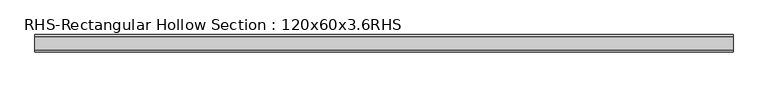
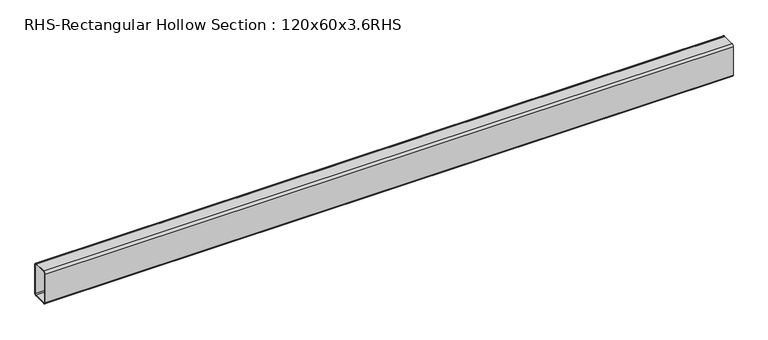
"""IFC4 building model written with IfcOpenShell, lengths in millimetres: beam geometry, RHS-Rectangular Hollow Section : 120x60x3.6RHS."""

import ifcopenshell
import ifcopenshell.guid

model = None  # the IFC model being written
_history = None  # IfcOwnerHistory: only IFC2X3 demands one
_inside = {}  # id of a spatial element -> (the spatial element, [elements in it])
_under = {}  # id of a project, library or spatial element -> (it, [spatial elements below it])
_declared = {}  # id of a project -> (the project, [libraries it declares])
_typed = {}  # id of a type object -> (the type object, [elements of that type])
_made_of = {}  # id of a material, layer set ... -> (it, [elements and type objects made of it])


def new_model(schema):
    """Start an empty IFC model of exactly this schema.

    Asked for "IFC4X3", IfcOpenShell would pick the latest addendum, in which some entities
    have other attributes; the version numbers below select the first issue.
    IFC2X3 requires an IfcOwnerHistory on every rooted entity: one is made here for all.
    """
    global model, _history
    if schema == "IFC4X3":
        model = ifcopenshell.file(schema_version=(4, 3, 0, 0))
    else:
        model = ifcopenshell.file(schema=schema)
    _inside.clear()
    _under.clear()
    _declared.clear()
    _typed.clear()
    _made_of.clear()
    _history = None
    if model.schema == "IFC2X3":
        org = make("IfcOrganization", Name="unknown")
        user = make(
            "IfcPersonAndOrganization",
            ThePerson=make("IfcPerson", FamilyName="unknown"),
            TheOrganization=org,
        )
        app = make(
            "IfcApplication",
            ApplicationDeveloper=org,
            Version="unknown",
            ApplicationFullName="unknown",
            ApplicationIdentifier="unknown",
        )
        _history = make(
            "IfcOwnerHistory",
            OwningUser=user,
            OwningApplication=app,
            ChangeAction="ADDED",
            CreationDate=0,
        )
    return model


def make(cls, **values):
    """One entity of the class cls with the attributes given. An attribute that is None is left unset."""
    return model.create_entity(
        cls, **{name: value for name, value in values.items() if value is not None}
    )


def rooted(cls, **values):
    """An entity with a GlobalId (a new one), such as an element, a storey or a relation."""
    return make(cls, GlobalId=ifcopenshell.guid.new(), OwnerHistory=_history, **values)


def si_unit(unit_type, name, prefix=None):
    """IfcSIUnit, for example si_unit("LENGTHUNIT", "METRE", prefix="MILLI")."""
    return make("IfcSIUnit", UnitType=unit_type, Prefix=prefix, Name=name)


def assignment(units):
    """IfcUnitAssignment: the units of a project."""
    return None if units is None else make("IfcUnitAssignment", Units=units)


def point(xyz):
    """IfcCartesianPoint."""
    return None if xyz is None else make("IfcCartesianPoint", Coordinates=xyz)


def direction(xyz):
    """IfcDirection."""
    return None if xyz is None else make("IfcDirection", DirectionRatios=xyz)


def frame(location, z_axis=None, x_axis=None):
    """IfcAxis2Placement3D, a coordinate frame: its origin and axes. An axis left out is left unset."""
    return make(
        "IfcAxis2Placement3D",
        Location=point(location),
        Axis=direction(z_axis),
        RefDirection=direction(x_axis),
    )


def frame_2d(location, x_axis=None):
    """IfcAxis2Placement2D, a coordinate frame in the plane: its origin and x axis."""
    return make(
        "IfcAxis2Placement2D", Location=point(location), RefDirection=direction(x_axis)
    )


def origin():
    """The frame at (0, 0, 0) with its axes left unset."""
    return frame((0.0, 0.0, 0.0))


def place(relative_to, where):
    """IfcLocalPlacement: puts the frame where relative to a parent placement (None: the world)."""
    return make(
        "IfcLocalPlacement", PlacementRelTo=relative_to, RelativePlacement=where
    )


def context(
    kind, dimensions, precision=None, world=None, true_north=None, identifier=None
):
    """IfcGeometricRepresentationContext, for example the 3D "Model" context."""
    return make(
        "IfcGeometricRepresentationContext",
        ContextIdentifier=identifier,
        ContextType=kind,
        CoordinateSpaceDimension=dimensions,
        Precision=precision,
        WorldCoordinateSystem=world,
        TrueNorth=true_north,
    )


def project(units=None, contexts=None):
    """IfcProject with its units and contexts."""
    return rooted(
        "IfcProject",
        Name="project",
        RepresentationContexts=contexts,
        UnitsInContext=assignment(units),
    )


def spatial(cls, under=None, at=None, **own):
    """A site, building, storey or space (cls), placed at a placement, below another one or the project."""
    s = rooted(cls, ObjectPlacement=at, **own)
    if under is not None:
        _under.setdefault(under.id(), (under, []))[1].append(s)
    return s


def polyline(points):
    """IfcPolyline through the points."""
    return make("IfcPolyline", Points=[point(p) for p in points])


def circle_curve(where, radius):
    """IfcCircle in the frame where."""
    return make("IfcCircle", Position=where, Radius=radius)


def trimmed(basis, trim1, trim2, sense, master):
    """IfcTrimmedCurve: the piece of a basis curve between two trims."""
    return make(
        "IfcTrimmedCurve",
        BasisCurve=basis,
        Trim1=trim1,
        Trim2=trim2,
        SenseAgreement=sense,
        MasterRepresentation=master,
    )


def segment(curve, same_sense, transition):
    """IfcCompositeCurveSegment."""
    return make(
        "IfcCompositeCurveSegment",
        Transition=transition,
        SameSense=same_sense,
        ParentCurve=curve,
    )


def composite_curve(segments, self_intersect=None):
    """IfcCompositeCurve: segments joined end to end."""
    return make("IfcCompositeCurve", Segments=segments, SelfIntersect=self_intersect)


def outline(outer, holes=None, kind="AREA"):
    """IfcArbitraryClosedProfileDef: a profile drawn as a closed curve; with holes, ...WithVoids."""
    if holes is None:
        return make("IfcArbitraryClosedProfileDef", ProfileType=kind, OuterCurve=outer)
    return make(
        "IfcArbitraryProfileDefWithVoids",
        ProfileType=kind,
        OuterCurve=outer,
        InnerCurves=holes,
    )


def extrude(swept, where, along, depth):
    """IfcExtrudedAreaSolid: the profile swept, set in the frame where, extruded along a direction by depth."""
    return make(
        "IfcExtrudedAreaSolid",
        SweptArea=swept,
        Position=where,
        ExtrudedDirection=direction(along),
        Depth=depth,
    )


def shape(context_of_items, identifier, shape_type, items):
    """IfcShapeRepresentation: the items that make up one representation, for example the "Body"."""
    return make(
        "IfcShapeRepresentation",
        ContextOfItems=context_of_items,
        RepresentationIdentifier=identifier,
        RepresentationType=shape_type,
        Items=items,
    )


def source(mapping_origin, context_of_items, identifier, shape_type, items):
    """IfcRepresentationMap: a shape defined once, which mapped items show again and again."""
    return make(
        "IfcRepresentationMap",
        MappingOrigin=mapping_origin,
        MappedRepresentation=shape(context_of_items, identifier, shape_type, items),
    )


def transform(
    local_origin,
    x_axis=None,
    y_axis=None,
    z_axis=None,
    scale=None,
    scale2=None,
    scale3=None,
    uniform=True,
):
    """IfcCartesianTransformationOperator3D, or its non-uniform kind. x_axis, y_axis, z_axis: its Axis1, 2, 3."""
    if uniform:
        return make(
            "IfcCartesianTransformationOperator3D",
            Axis1=direction(x_axis),
            Axis2=direction(y_axis),
            LocalOrigin=point(local_origin),
            Scale=scale,
            Axis3=direction(z_axis),
        )
    return make(
        "IfcCartesianTransformationOperator3DnonUniform",
        Axis1=direction(x_axis),
        Axis2=direction(y_axis),
        LocalOrigin=point(local_origin),
        Scale=scale,
        Axis3=direction(z_axis),
        Scale2=scale2,
        Scale3=scale3,
    )


def mapped(mapping_source, mapping_target):
    """IfcMappedItem: shows the shape of a source again, moved by a transform."""
    return make(
        "IfcMappedItem", MappingSource=mapping_source, MappingTarget=mapping_target
    )


def made_of(thing, what):
    """Note that an element or type object is made of a material, layer set ...; save() writes the relation."""
    if what is not None:
        _made_of.setdefault(what.id(), (what, []))[1].append(thing)
    return thing


def element(
    cls,
    number,
    at=None,
    inside=None,
    cuts=None,
    type_object=None,
    material=None,
    context=None,
    identifier="Body",
    shape_type=None,
    held_by="IfcProductDefinitionShape",
    body=None,
    shapes=None,
    **own,
):
    """One element of the class cls, such as IfcWall. Its Tag is "e" and its number.

    at: its placement. inside: the storey or other place that contains it. cuts: it is an
    opening in that element (IfcRelVoidsElement). A single representation is given by context,
    identifier, shape_type and body (its items); several are given by shapes. held_by: the class
    of the entity that holds the representations. save() writes the other relations.
    """
    e = rooted(cls, Tag="e%d" % number, ObjectPlacement=at, **own)
    if body is not None:
        shapes = [shape(context, identifier, shape_type, body)]
    if shapes is not None:
        e.Representation = make(held_by, Representations=shapes)
    if inside is not None:
        _inside.setdefault(inside.id(), (inside, []))[1].append(e)
    if cuts is not None:
        rooted(
            "IfcRelVoidsElement", RelatingBuildingElement=cuts, RelatedOpeningElement=e
        )
    if type_object is not None:
        _typed.setdefault(type_object.id(), (type_object, []))[1].append(e)
    return made_of(e, material)


def aggregate(whole, parts):
    """IfcRelAggregates: a whole, such as a stair, and the parts it consists of."""
    return rooted("IfcRelAggregates", RelatingObject=whole, RelatedObjects=parts)


def save(model, path):
    """Write the relations noted so far, then the file.

    IfcRelAggregates (storeys below a building ...), IfcRelContainedInSpatialStructure (elements
    in a storey), IfcRelDefinesByType, IfcRelAssociatesMaterial and IfcRelDeclares: one each for
    every whole, place, type object, material and project.
    """
    for whole, parts in _under.values():
        aggregate(whole, parts)
    for where, things in _inside.values():
        rooted(
            "IfcRelContainedInSpatialStructure",
            RelatedElements=things,
            RelatingStructure=where,
        )
    for kind, things in _typed.values():
        rooted("IfcRelDefinesByType", RelatedObjects=things, RelatingType=kind)
    for what, things in _made_of.values():
        rooted("IfcRelAssociatesMaterial", RelatedObjects=things, RelatingMaterial=what)
    for by, libraries in _declared.values():
        rooted("IfcRelDeclares", RelatingContext=by, RelatedDefinitions=libraries)
    model.write(path)


def rhs_rectangular_hollow_section_120x60x3_6rhs_14a9aa8a(model_context):
    return source(origin(), model_context, "Body", "SweptSolid", [
        extrude(outline(composite_curve([segment(polyline([(30.0, 52.8), (30.0, -52.8)]), True, "CONTINUOUS"), segment(trimmed(circle_curve(frame_2d((22.8, -52.8)), 7.2), [point((30.0, -52.8))], [point((22.8, -60.0))], False, "CARTESIAN"), True, "CONTINUOUS"), segment(polyline([(22.8, -60.0), (-22.8, -60.0)]), True, "CONTINUOUS"), segment(trimmed(circle_curve(frame_2d((-22.8, -52.8)), 7.2), [point((-22.8, -60.0))], [point((-30.0, -52.8))], False, "CARTESIAN"), True, "CONTINUOUS"), segment(polyline([(-30.0, -52.8), (-30.0, 52.8)]), True, "CONTINUOUS"), segment(trimmed(circle_curve(frame_2d((-22.8, 52.8)), 7.2), [point((-30.0, 52.8))], [point((-22.8, 60.0))], False, "CARTESIAN"), True, "CONTINUOUS"), segment(polyline([(-22.8, 60.0), (22.8, 60.0)]), True, "CONTINUOUS"), segment(trimmed(circle_curve(frame_2d((22.8, 52.8)), 7.2), [point((22.8, 60.0))], [point((30.0, 52.8))], False, "CARTESIAN"), True, "CONTINUOUS")], self_intersect=False), holes=[composite_curve([segment(trimmed(circle_curve(frame_2d((-22.8, 52.8)), 3.6), [point((-22.8, 56.4))], [point((-26.4, 52.8))], True, "CARTESIAN"), True, "CONTINUOUS"), segment(polyline([(-26.4, 52.8), (-26.4, -52.8)]), True, "CONTINUOUS"), segment(trimmed(circle_curve(frame_2d((-22.8, -52.8)), 3.6), [point((-26.4, -52.8))], [point((-22.8, -56.4))], True, "CARTESIAN"), True, "CONTINUOUS"), segment(polyline([(-22.8, -56.4), (22.8, -56.4)]), True, "CONTINUOUS"), segment(trimmed(circle_curve(frame_2d((22.8, -52.8)), 3.6), [point((22.8, -56.4))], [point((26.4, -52.8))], True, "CARTESIAN"), True, "CONTINUOUS"), segment(polyline([(26.4, -52.8), (26.4, 52.8)]), True, "CONTINUOUS"), segment(trimmed(circle_curve(frame_2d((22.8, 52.8)), 3.6), [point((26.4, 52.8))], [point((22.8, 56.4))], True, "CARTESIAN"), True, "CONTINUOUS"), segment(polyline([(22.8, 56.4), (-22.8, 56.4)]), True, "CONTINUOUS")], self_intersect=False)]), frame((-1497.5205108, 0.0, 0.0), z_axis=(1.0, 0.0, 0.0), x_axis=(0.0, 1.0, 0.0)), (0.0, 0.0, 1.0), 2409.4646096),
    ])


if __name__ == "__main__":
    model = new_model("IFC4")
    model_context = context("Model", 3, world=origin())
    ifc_project = project(units=[si_unit("LENGTHUNIT", "METRE", prefix="MILLI")], contexts=[model_context])
    site = spatial("IfcSite", under=ifc_project)
    building = spatial("IfcBuilding", under=site)
    placement = place(None, origin())
    rhs_rectangular_hollow_section_120x60x3_6rhs_shape = rhs_rectangular_hollow_section_120x60x3_6rhs_14a9aa8a(model_context)
    element("IfcBeam", 1, ObjectType="RHS-Rectangular Hollow Section : 120x60x3.6RHS", at=placement, inside=building, context=model_context, shape_type="MappedRepresentation", body=[
        mapped(rhs_rectangular_hollow_section_120x60x3_6rhs_shape, transform((0.0, 0.0, 0.0), x_axis=(1.0, 0.0, 0.0), y_axis=(0.0, 1.0, 0.0), z_axis=(0.0, 0.0, 1.0))),
    ])
    save(model, "model.ifc")
